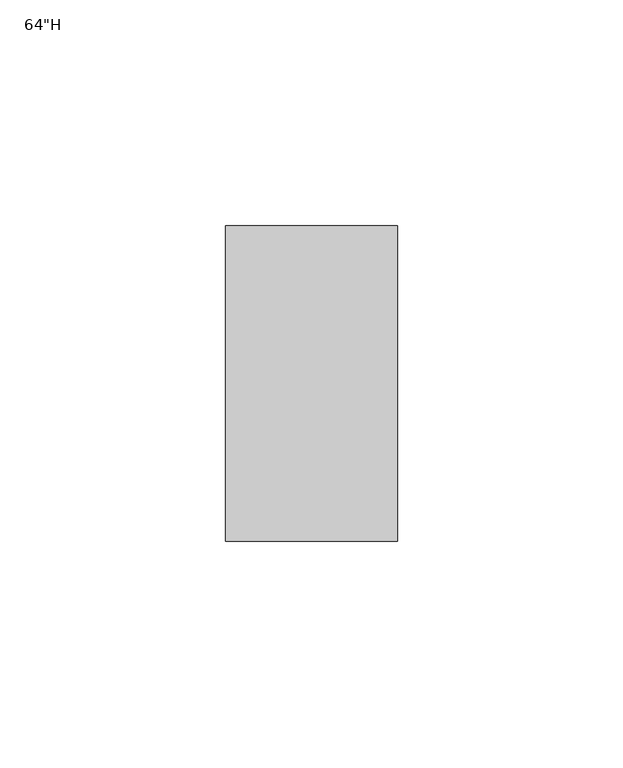
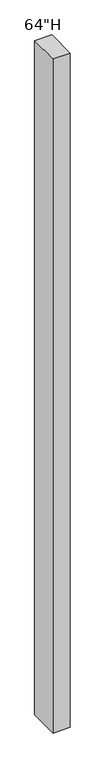
"""IFC4 building model written with IfcOpenShell, lengths in millimetres: furniture geometry."""

from ifc_helpers import new_model, si_unit, frame, origin, place, context, project, spatial, polyline, outline, extrude, source, transform, mapped, element, save


def furniture_704a7274(model_context):
    return source(origin(), model_context, "Body", "SweptSolid", [
        extrude(outline(polyline([(-19.05, 25.4), (19.05, 25.4), (19.05, -44.45), (-19.05, -44.45), (-19.05, 25.4)])), frame((0.0, 0.0, 549.3742187), z_axis=(0.0, 0.0, 1.0), x_axis=(1.0, 0.0, 0.0)), (0.0, 0.0, 1.0), 1572.7164063),
    ])


if __name__ == "__main__":
    model = new_model("IFC4")
    model_context = context("Model", 3, world=origin())
    ifc_project = project(units=[si_unit("LENGTHUNIT", "METRE", prefix="MILLI")], contexts=[model_context])
    site = spatial("IfcSite", under=ifc_project)
    building = spatial("IfcBuilding", under=site)
    placement = place(None, origin())
    furniture_shape = furniture_704a7274(model_context)
    element("IfcFurniture", 1, ObjectType="64\"H", at=placement, inside=building, context=model_context, shape_type="MappedRepresentation", body=[
        mapped(furniture_shape, transform((0.0, 0.0, 0.0), x_axis=(1.0, 0.0, 0.0), y_axis=(0.0, 1.0, 0.0), z_axis=(0.0, 0.0, 1.0))),
    ])
    save(model, "model.ifc")
